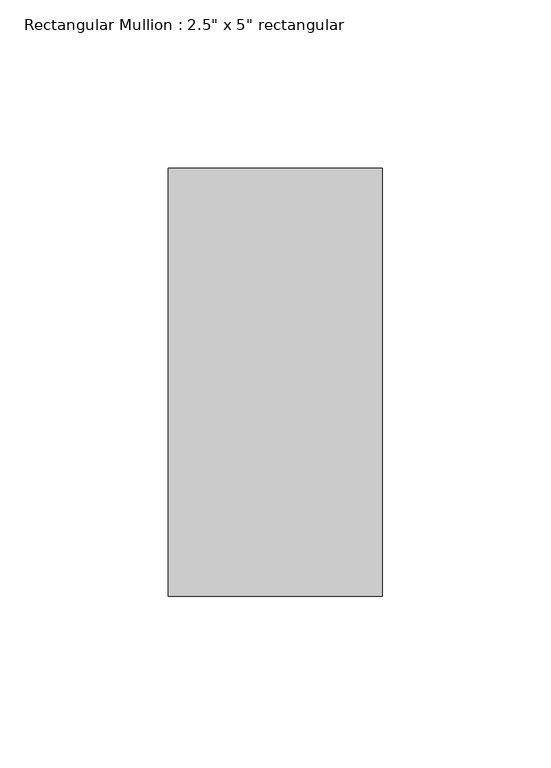
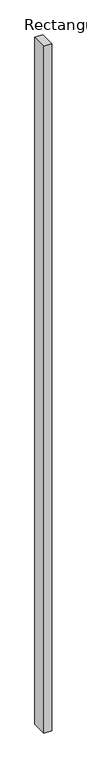
"""IFC4 building model written with IfcOpenShell, lengths in millimetres: member geometry."""

from ifc_helpers import new_model, si_unit, frame, origin, place, context, project, spatial, polyline, outline, extrude, source, transform, mapped, element, save


def member_43be065a(model_context):
    return source(origin(), model_context, "Body", "SweptSolid", [
        extrude(outline(polyline([(0.0, 63.5), (0.0, -63.5), (-63.5, -63.5), (-63.5, 63.5), (0.0, 63.5)])), frame((0.0, 0.0, -5892.8), z_axis=(0.0, 0.0, 1.0), x_axis=(1.0, 0.0, 0.0)), (0.0, 0.0, 1.0), 5892.8),
    ])


if __name__ == "__main__":
    model = new_model("IFC4")
    model_context = context("Model", 3, world=origin())
    ifc_project = project(units=[si_unit("LENGTHUNIT", "METRE", prefix="MILLI")], contexts=[model_context])
    site = spatial("IfcSite", under=ifc_project)
    building = spatial("IfcBuilding", under=site)
    placement = place(None, origin())
    member_shape = member_43be065a(model_context)
    element("IfcMember", 1, ObjectType="Rectangular Mullion : 2.5\" x 5\" rectangular", at=placement, inside=building, context=model_context, shape_type="MappedRepresentation", body=[
        mapped(member_shape, transform((0.0, 0.0, 0.0), x_axis=(1.0, 0.0, 0.0), y_axis=(0.0, 1.0, 0.0), z_axis=(0.0, 0.0, 1.0))),
    ])
    save(model, "model.ifc")
